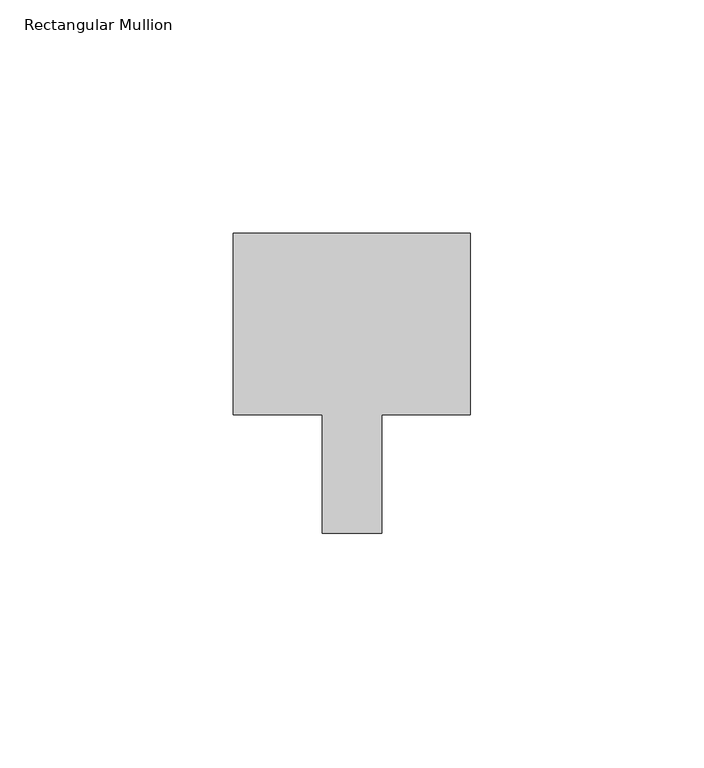
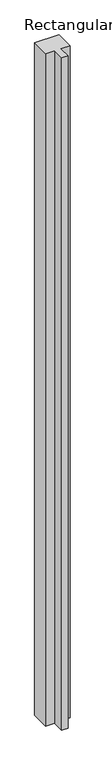
"""IFC4 building model written with IfcOpenShell, lengths in millimetres: member geometry, Rectangular Mullion."""

import ifcopenshell
import ifcopenshell.guid

model = None  # the IFC model being written
_history = None  # IfcOwnerHistory: only IFC2X3 demands one
_inside = {}  # id of a spatial element -> (the spatial element, [elements in it])
_under = {}  # id of a project, library or spatial element -> (it, [spatial elements below it])
_declared = {}  # id of a project -> (the project, [libraries it declares])
_typed = {}  # id of a type object -> (the type object, [elements of that type])
_made_of = {}  # id of a material, layer set ... -> (it, [elements and type objects made of it])


def new_model(schema):
    """Start an empty IFC model of exactly this schema.

    Asked for "IFC4X3", IfcOpenShell would pick the latest addendum, in which some entities
    have other attributes; the version numbers below select the first issue.
    IFC2X3 requires an IfcOwnerHistory on every rooted entity: one is made here for all.
    """
    global model, _history
    if schema == "IFC4X3":
        model = ifcopenshell.file(schema_version=(4, 3, 0, 0))
    else:
        model = ifcopenshell.file(schema=schema)
    _inside.clear()
    _under.clear()
    _declared.clear()
    _typed.clear()
    _made_of.clear()
    _history = None
    if model.schema == "IFC2X3":
        org = make("IfcOrganization", Name="unknown")
        user = make(
            "IfcPersonAndOrganization",
            ThePerson=make("IfcPerson", FamilyName="unknown"),
            TheOrganization=org,
        )
        app = make(
            "IfcApplication",
            ApplicationDeveloper=org,
            Version="unknown",
            ApplicationFullName="unknown",
            ApplicationIdentifier="unknown",
        )
        _history = make(
            "IfcOwnerHistory",
            OwningUser=user,
            OwningApplication=app,
            ChangeAction="ADDED",
            CreationDate=0,
        )
    return model


def make(cls, **values):
    """One entity of the class cls with the attributes given. An attribute that is None is left unset."""
    return model.create_entity(
        cls, **{name: value for name, value in values.items() if value is not None}
    )


def rooted(cls, **values):
    """An entity with a GlobalId (a new one), such as an element, a storey or a relation."""
    return make(cls, GlobalId=ifcopenshell.guid.new(), OwnerHistory=_history, **values)


def si_unit(unit_type, name, prefix=None):
    """IfcSIUnit, for example si_unit("LENGTHUNIT", "METRE", prefix="MILLI")."""
    return make("IfcSIUnit", UnitType=unit_type, Prefix=prefix, Name=name)


def assignment(units):
    """IfcUnitAssignment: the units of a project."""
    return None if units is None else make("IfcUnitAssignment", Units=units)


def point(xyz):
    """IfcCartesianPoint."""
    return None if xyz is None else make("IfcCartesianPoint", Coordinates=xyz)


def direction(xyz):
    """IfcDirection."""
    return None if xyz is None else make("IfcDirection", DirectionRatios=xyz)


def frame(location, z_axis=None, x_axis=None):
    """IfcAxis2Placement3D, a coordinate frame: its origin and axes. An axis left out is left unset."""
    return make(
        "IfcAxis2Placement3D",
        Location=point(location),
        Axis=direction(z_axis),
        RefDirection=direction(x_axis),
    )


def origin():
    """The frame at (0, 0, 0) with its axes left unset."""
    return frame((0.0, 0.0, 0.0))


def place(relative_to, where):
    """IfcLocalPlacement: puts the frame where relative to a parent placement (None: the world)."""
    return make(
        "IfcLocalPlacement", PlacementRelTo=relative_to, RelativePlacement=where
    )


def context(
    kind, dimensions, precision=None, world=None, true_north=None, identifier=None
):
    """IfcGeometricRepresentationContext, for example the 3D "Model" context."""
    return make(
        "IfcGeometricRepresentationContext",
        ContextIdentifier=identifier,
        ContextType=kind,
        CoordinateSpaceDimension=dimensions,
        Precision=precision,
        WorldCoordinateSystem=world,
        TrueNorth=true_north,
    )


def project(units=None, contexts=None):
    """IfcProject with its units and contexts."""
    return rooted(
        "IfcProject",
        Name="project",
        RepresentationContexts=contexts,
        UnitsInContext=assignment(units),
    )


def spatial(cls, under=None, at=None, **own):
    """A site, building, storey or space (cls), placed at a placement, below another one or the project."""
    s = rooted(cls, ObjectPlacement=at, **own)
    if under is not None:
        _under.setdefault(under.id(), (under, []))[1].append(s)
    return s


def polyline(points):
    """IfcPolyline through the points."""
    return make("IfcPolyline", Points=[point(p) for p in points])


def outline(outer, holes=None, kind="AREA"):
    """IfcArbitraryClosedProfileDef: a profile drawn as a closed curve; with holes, ...WithVoids."""
    if holes is None:
        return make("IfcArbitraryClosedProfileDef", ProfileType=kind, OuterCurve=outer)
    return make(
        "IfcArbitraryProfileDefWithVoids",
        ProfileType=kind,
        OuterCurve=outer,
        InnerCurves=holes,
    )


def extrude(swept, where, along, depth):
    """IfcExtrudedAreaSolid: the profile swept, set in the frame where, extruded along a direction by depth."""
    return make(
        "IfcExtrudedAreaSolid",
        SweptArea=swept,
        Position=where,
        ExtrudedDirection=direction(along),
        Depth=depth,
    )


def shape(context_of_items, identifier, shape_type, items):
    """IfcShapeRepresentation: the items that make up one representation, for example the "Body"."""
    return make(
        "IfcShapeRepresentation",
        ContextOfItems=context_of_items,
        RepresentationIdentifier=identifier,
        RepresentationType=shape_type,
        Items=items,
    )


def source(mapping_origin, context_of_items, identifier, shape_type, items):
    """IfcRepresentationMap: a shape defined once, which mapped items show again and again."""
    return make(
        "IfcRepresentationMap",
        MappingOrigin=mapping_origin,
        MappedRepresentation=shape(context_of_items, identifier, shape_type, items),
    )


def transform(
    local_origin,
    x_axis=None,
    y_axis=None,
    z_axis=None,
    scale=None,
    scale2=None,
    scale3=None,
    uniform=True,
):
    """IfcCartesianTransformationOperator3D, or its non-uniform kind. x_axis, y_axis, z_axis: its Axis1, 2, 3."""
    if uniform:
        return make(
            "IfcCartesianTransformationOperator3D",
            Axis1=direction(x_axis),
            Axis2=direction(y_axis),
            LocalOrigin=point(local_origin),
            Scale=scale,
            Axis3=direction(z_axis),
        )
    return make(
        "IfcCartesianTransformationOperator3DnonUniform",
        Axis1=direction(x_axis),
        Axis2=direction(y_axis),
        LocalOrigin=point(local_origin),
        Scale=scale,
        Axis3=direction(z_axis),
        Scale2=scale2,
        Scale3=scale3,
    )


def mapped(mapping_source, mapping_target):
    """IfcMappedItem: shows the shape of a source again, moved by a transform."""
    return make(
        "IfcMappedItem", MappingSource=mapping_source, MappingTarget=mapping_target
    )


def made_of(thing, what):
    """Note that an element or type object is made of a material, layer set ...; save() writes the relation."""
    if what is not None:
        _made_of.setdefault(what.id(), (what, []))[1].append(thing)
    return thing


def element(
    cls,
    number,
    at=None,
    inside=None,
    cuts=None,
    type_object=None,
    material=None,
    context=None,
    identifier="Body",
    shape_type=None,
    held_by="IfcProductDefinitionShape",
    body=None,
    shapes=None,
    **own,
):
    """One element of the class cls, such as IfcWall. Its Tag is "e" and its number.

    at: its placement. inside: the storey or other place that contains it. cuts: it is an
    opening in that element (IfcRelVoidsElement). A single representation is given by context,
    identifier, shape_type and body (its items); several are given by shapes. held_by: the class
    of the entity that holds the representations. save() writes the other relations.
    """
    e = rooted(cls, Tag="e%d" % number, ObjectPlacement=at, **own)
    if body is not None:
        shapes = [shape(context, identifier, shape_type, body)]
    if shapes is not None:
        e.Representation = make(held_by, Representations=shapes)
    if inside is not None:
        _inside.setdefault(inside.id(), (inside, []))[1].append(e)
    if cuts is not None:
        rooted(
            "IfcRelVoidsElement", RelatingBuildingElement=cuts, RelatedOpeningElement=e
        )
    if type_object is not None:
        _typed.setdefault(type_object.id(), (type_object, []))[1].append(e)
    return made_of(e, material)


def aggregate(whole, parts):
    """IfcRelAggregates: a whole, such as a stair, and the parts it consists of."""
    return rooted("IfcRelAggregates", RelatingObject=whole, RelatedObjects=parts)


def save(model, path):
    """Write the relations noted so far, then the file.

    IfcRelAggregates (storeys below a building ...), IfcRelContainedInSpatialStructure (elements
    in a storey), IfcRelDefinesByType, IfcRelAssociatesMaterial and IfcRelDeclares: one each for
    every whole, place, type object, material and project.
    """
    for whole, parts in _under.values():
        aggregate(whole, parts)
    for where, things in _inside.values():
        rooted(
            "IfcRelContainedInSpatialStructure",
            RelatedElements=things,
            RelatingStructure=where,
        )
    for kind, things in _typed.values():
        rooted("IfcRelDefinesByType", RelatedObjects=things, RelatingType=kind)
    for what, things in _made_of.values():
        rooted("IfcRelAssociatesMaterial", RelatedObjects=things, RelatingMaterial=what)
    for by, libraries in _declared.values():
        rooted("IfcRelDeclares", RelatingContext=by, RelatedDefinitions=libraries)
    model.write(path)


def rectangular_mullion_bc1c0b79(model_context):
    return source(origin(), model_context, "Body", "SweptSolid", [
        extrude(outline(polyline([(29.7344027, 51.59375), (29.7344027, 12.7), (10.6826322, 12.7), (10.6826322, -12.7), (-2.0155973, -12.7), (-2.0155973, 12.7), (-21.0655973, 12.7), (-21.0655973, 51.59375), (29.7344027, 51.59375)])), frame((0.0, 0.0, -1478.28), z_axis=(0.0, 0.0, 1.0), x_axis=(1.0, 0.0, 0.0)), (0.0, 0.0, 1.0), 1478.28),
    ])


if __name__ == "__main__":
    model = new_model("IFC4")
    model_context = context("Model", 3, world=origin())
    ifc_project = project(units=[si_unit("LENGTHUNIT", "METRE", prefix="MILLI")], contexts=[model_context])
    site = spatial("IfcSite", under=ifc_project)
    building = spatial("IfcBuilding", under=site)
    placement = place(None, origin())
    rectangular_mullion_shape = rectangular_mullion_bc1c0b79(model_context)
    element("IfcMember", 1, ObjectType="Rectangular Mullion", at=placement, inside=building, context=model_context, shape_type="MappedRepresentation", body=[
        mapped(rectangular_mullion_shape, transform((0.0, 0.0, 0.0), x_axis=(1.0, 0.0, 0.0), y_axis=(0.0, 1.0, 0.0), z_axis=(0.0, 0.0, 1.0))),
    ])
    save(model, "model.ifc")
